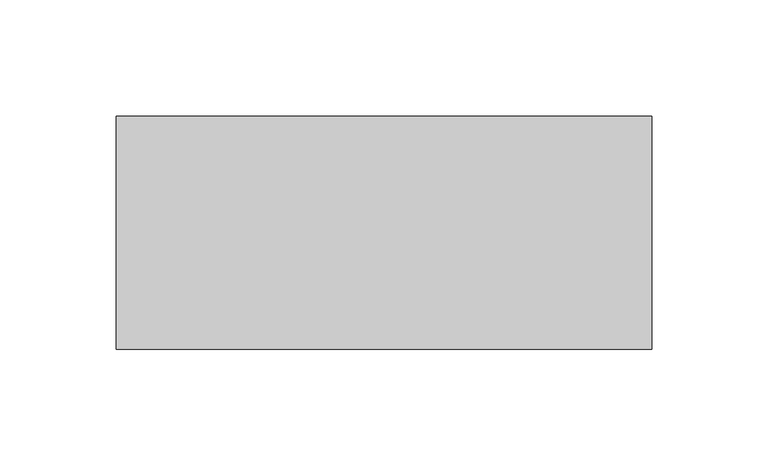
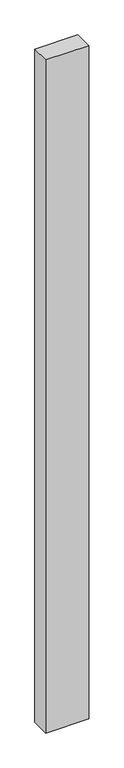
"""IFC4 building model written with IfcOpenShell, lengths in millimetres: proxy geometry."""

from ifc_helpers import new_model, si_unit, frame, origin, place, context, project, spatial, polyline, outline, extrude, source, transform, mapped, element, save


def generic_models_871d5cd9(model_context):
    return source(origin(), model_context, "Body", "SweptSolid", [
        extrude(outline(polyline([(230.0, 100.0), (230.0, 0.0), (0.0, 0.0), (0.0, 100.0), (230.0, 100.0)])), frame((0.0, 0.0, -3800.0), z_axis=(0.0, 0.0, 1.0), x_axis=(1.0, 0.0, 0.0)), (0.0, 0.0, 1.0), 3800.0),
    ])


if __name__ == "__main__":
    model = new_model("IFC4")
    model_context = context("Model", 3, world=origin())
    ifc_project = project(units=[si_unit("LENGTHUNIT", "METRE", prefix="MILLI")], contexts=[model_context])
    site = spatial("IfcSite", under=ifc_project)
    building = spatial("IfcBuilding", under=site)
    placement = place(None, origin())
    generic_models_shape = generic_models_871d5cd9(model_context)
    element("IfcBuildingElementProxy", 1, Name="Generic Models", at=placement, inside=building, context=model_context, shape_type="MappedRepresentation", body=[
        mapped(generic_models_shape, transform((0.0, 0.0, 0.0), x_axis=(1.0, 0.0, 0.0), y_axis=(0.0, 1.0, 0.0), z_axis=(0.0, 0.0, 1.0))),
    ])
    save(model, "model.ifc")
